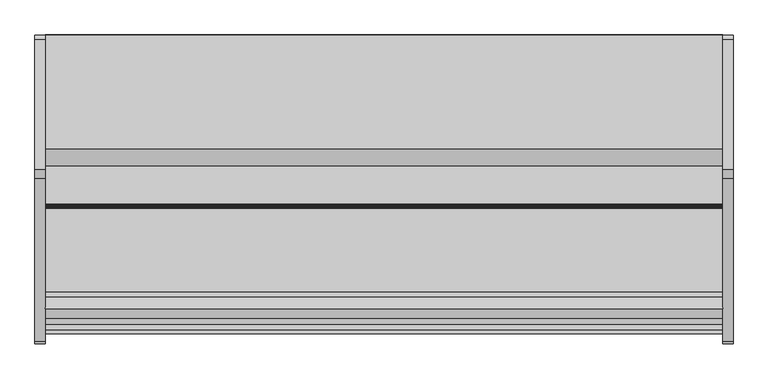
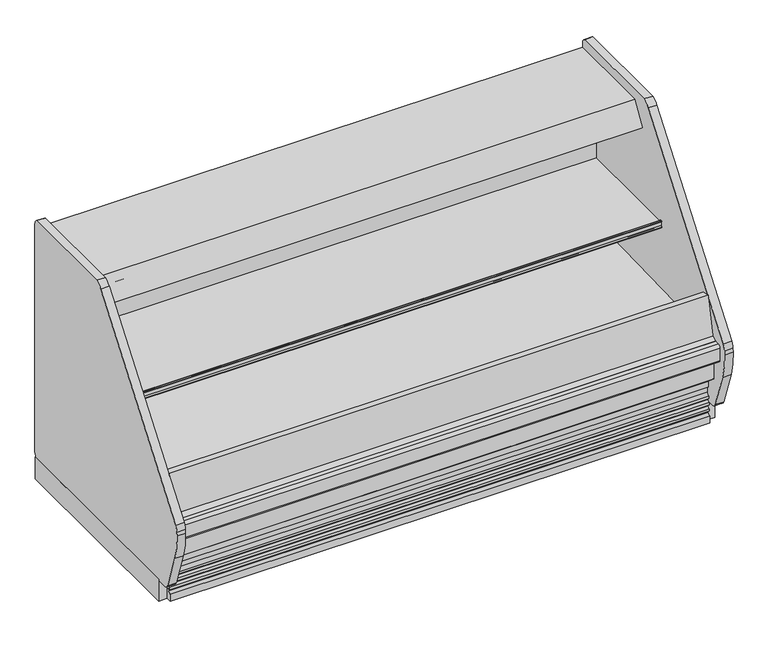
"""IFC4 building model written with IfcOpenShell, lengths in millimetres: proxy geometry."""

from ifc_helpers import new_model, si_unit, point, frame, frame_2d, origin, place, context, project, spatial, polyline, circle_curve, trimmed, segment, composite_curve, outline, extrude, source, transform, mapped, element, save


def mechanical_equipment_370bfc36(model_context):
    return source(origin(), model_context, "Body", "SweptSolid", [
        extrude(outline(polyline([(-38.1, 711.6798615), (-38.1, 1676.4817512), (0.0, 1676.4817512), (0.0, 711.6798615), (-38.1, 711.6798615)])), frame((0.0, 0.0, -11.3168344), z_axis=(0.0, 0.0, 1.0), x_axis=(1.0, 0.0, 0.0)), (0.0, 0.0, 1.0), 104.8514253),
        extrude(outline(composite_curve([segment(trimmed(circle_curve(frame_2d((1654.2567512, 115.824)), 25.4), [point((1679.6567512, 115.824))], [point((1654.2567512, 90.424))], False, "CARTESIAN"), True, "CONTINUOUS"), segment(polyline([(1654.2567512, 90.424), (663.8091512, 90.424)]), True, "CONTINUOUS"), segment(trimmed(circle_curve(frame_2d((663.8091512, 115.824)), 25.4), [point((663.8091512, 90.424))], [point((640.0585823, 106.8200855))], False, "CARTESIAN"), True, "CONTINUOUS"), segment(polyline([(640.0585823, 106.8200855), (583.366812, 271.4649415)]), True, "CONTINUOUS"), segment(trimmed(circle_curve(frame_2d((873.0738926, 371.2190892)), 306.4002), [point((583.366812, 271.4649415))], [point((567.1589099, 388.45585))], False, "CARTESIAN"), True, "CONTINUOUS"), segment(polyline([(567.1589099, 388.45585), (568.1644935, 406.3027696)]), True, "CONTINUOUS"), segment(trimmed(circle_curve(frame_2d((628.296424, 402.9146397)), 60.2273068), [point((568.1644935, 406.3027696))], [point((577.139934, 434.7005174))], False, "CARTESIAN"), True, "CONTINUOUS"), segment(polyline([(577.139934, 434.7005174), (1164.6180638, 1208.5085359)]), True, "CONTINUOUS"), segment(trimmed(circle_curve(frame_2d((1216.0137543, 1169.488723)), 64.5295498), [point((1164.6180638, 1208.5085359))], [point((1196.9254855, 1231.130436))], False, "CARTESIAN"), True, "CONTINUOUS"), segment(polyline([(1196.9254855, 1231.130436), (1664.8043866, 1231.130436)]), True, "CONTINUOUS"), segment(trimmed(circle_curve(frame_2d((1654.2567512, 1208.024)), 25.4), [point((1664.8043866, 1231.130436))], [point((1679.6567512, 1208.024))], False, "CARTESIAN"), True, "CONTINUOUS"), segment(polyline([(1679.6567512, 1208.024), (1679.6567512, 115.824)]), True, "CONTINUOUS")], self_intersect=False)), frame((-38.1, 0.0, 0.0), z_axis=(1.0, 0.0, 0.0), x_axis=(0.0, 1.0, 0.0)), (0.0, 0.0, 1.0), 38.1),
        extrude(outline(polyline([(2438.4, 711.6798615), (2438.4, 1679.6567512), (2476.5, 1679.6567512), (2476.5, 711.6798615), (2438.4, 711.6798615)])), frame((0.0, 0.0, -11.3168344), z_axis=(0.0, 0.0, 1.0), x_axis=(1.0, 0.0, 0.0)), (0.0, 0.0, 1.0), 104.8514253),
        extrude(outline(composite_curve([segment(trimmed(circle_curve(frame_2d((1654.2567512, 115.824)), 25.4), [point((1679.6567512, 115.824))], [point((1654.2567512, 90.424))], False, "CARTESIAN"), True, "CONTINUOUS"), segment(polyline([(1654.2567512, 90.424), (663.8091512, 90.424)]), True, "CONTINUOUS"), segment(trimmed(circle_curve(frame_2d((663.8091512, 115.824)), 25.4), [point((663.8091512, 90.424))], [point((640.0585823, 106.8200855))], False, "CARTESIAN"), True, "CONTINUOUS"), segment(polyline([(640.0585823, 106.8200855), (583.366812, 271.4649415)]), True, "CONTINUOUS"), segment(trimmed(circle_curve(frame_2d((873.0738926, 371.2190892)), 306.4002), [point((583.366812, 271.4649415))], [point((567.1589099, 388.45585))], False, "CARTESIAN"), True, "CONTINUOUS"), segment(polyline([(567.1589099, 388.45585), (568.1644935, 406.3027696)]), True, "CONTINUOUS"), segment(trimmed(circle_curve(frame_2d((628.296424, 402.9146397)), 60.2273068), [point((568.1644935, 406.3027696))], [point((577.139934, 434.7005174))], False, "CARTESIAN"), True, "CONTINUOUS"), segment(polyline([(577.139934, 434.7005174), (1164.6180638, 1208.5085359)]), True, "CONTINUOUS"), segment(trimmed(circle_curve(frame_2d((1216.0137543, 1169.488723)), 64.5295498), [point((1164.6180638, 1208.5085359))], [point((1196.9254855, 1231.130436))], False, "CARTESIAN"), True, "CONTINUOUS"), segment(polyline([(1196.9254855, 1231.130436), (1664.8043866, 1231.130436)]), True, "CONTINUOUS"), segment(trimmed(circle_curve(frame_2d((1654.2567512, 1208.024)), 25.4), [point((1664.8043866, 1231.130436))], [point((1679.6567512, 1208.024))], False, "CARTESIAN"), True, "CONTINUOUS"), segment(polyline([(1679.6567512, 1208.024), (1679.6567512, 115.824)]), True, "CONTINUOUS")], self_intersect=False)), frame((2438.4, 0.0, 0.0), z_axis=(1.0, 0.0, 0.0), x_axis=(0.0, 1.0, 0.0)), (0.0, 0.0, 1.0), 38.1),
        extrude(outline(polyline([(700.6989891, 429.4188157), (703.0591015, 429.4188157), (703.0591015, 354.7248198), (651.5915009, 354.7248198), (651.5915009, 397.6615582), (654.8785028, 409.9288162), (694.4586598, 400.0603747), (700.6989891, 429.4188157)])), frame((0.0, 0.0, 0.0), z_axis=(1.0, 0.0, 0.0), x_axis=(0.0, 1.0, 0.0)), (0.0, 0.0, 1.0), 2438.4),
        extrude(outline(composite_curve([segment(polyline([(870.0317512, 13.1861931), (802.6421421, -10.0179102), (685.8817512, -10.0179102), (685.8817512, 24.1551363)]), True, "CONTINUOUS"), segment(trimmed(circle_curve(frame_2d((685.2131661, 37.1859194)), 13.0479237), [point((685.8817512, 24.1551363))], [point((697.6951339, 33.3847624))], True, "CARTESIAN"), True, "CONTINUOUS"), segment(polyline([(697.6951339, 33.3847624), (701.3949328, 45.5338977), (688.7345978, 45.5338977), (688.7345978, 55.3266015)]), True, "CONTINUOUS"), segment(trimmed(circle_curve(frame_2d((681.8131487, 71.3264274)), 17.4327532), [point((688.7345978, 55.3266015))], [point((697.8129746, 64.4049783))], True, "CARTESIAN"), True, "CONTINUOUS"), segment(polyline([(697.8129746, 64.4049783), (701.0997968, 75.1980102), (688.7345978, 75.1980102), (688.7345978, 86.2266419)]), True, "CONTINUOUS"), segment(trimmed(circle_curve(frame_2d((679.7391667, 104.3064105)), 20.1939548), [point((688.7345978, 86.2266419))], [point((697.8189353, 95.3109794))], True, "CARTESIAN"), True, "CONTINUOUS"), segment(polyline([(697.8189353, 95.3109794), (701.2169039, 105.7688515), (688.7345978, 105.7688515), (688.7345978, 117.156214)]), True, "CONTINUOUS"), segment(trimmed(circle_curve(frame_2d((689.6775874, 129.8463901)), 12.725164), [point((688.7345978, 117.156214))], [point((702.3755024, 129.0140715))], True, "CARTESIAN"), True, "CONTINUOUS"), segment(polyline([(702.3755024, 129.0140715), (702.3755024, 157.4271822), (695.1666308, 157.4271822), (695.1666308, 184.3168811), (803.3567512, 93.5345909), (870.0317512, 93.5345909), (870.0317512, 13.1861931)]), True, "CONTINUOUS")], self_intersect=False)), frame((0.0, 0.0, 0.0), z_axis=(1.0, 0.0, 0.0), x_axis=(0.0, 1.0, 0.0)), (0.0, 0.0, 1.0), 2438.4),
        extrude(outline(polyline([(2438.4, 1644.9330022), (2438.4, 914.8798615), (0.0, 914.8798615), (0.0, 1644.9330022), (2438.4, 1644.9330022)])), frame((0.0, 0.0, 37.3530898), z_axis=(0.0, 0.0, 1.0), x_axis=(1.0, 0.0, 0.0)), (0.0, 0.0, 1.0), 19.8448583),
        extrude(outline(polyline([(1680.0548615, 88.1209301), (1680.0548615, -11.6054102), (1644.9330022, -11.6054102), (1644.9330022, 57.1979482), (914.8798615, 57.1979482), (914.8798615, -11.6054102), (870.0317512, -11.6054102), (870.0317512, 78.1978198), (885.3685223, 93.5345909), (1674.6412007, 93.5345909), (1680.0548615, 88.1209301)])), frame((0.0, 0.0, 0.0), z_axis=(1.0, 0.0, 0.0), x_axis=(0.0, 1.0, 0.0)), (0.0, 0.0, 1.0), 2438.4),
        extrude(outline(polyline([(1594.2644284, 1025.5206156), (1583.9071991, 1044.9997308), (1563.9166424, 1110.3858957), (1537.8698944, 1107.1877571), (1539.0842716, 1097.2974484), (1538.1925249, 1097.2974484), (1536.8775204, 1108.0072999), (1564.4826399, 1111.3967824), (1584.6185071, 1045.5353284), (1595.2605186, 1025.5206156), (1594.2644284, 1025.5206156)])), frame((0.0, 0.0, 0.0), z_axis=(1.0, 0.0, 0.0), x_axis=(0.0, 1.0, 0.0)), (0.0, 0.0, 1.0), 2438.4),
        extrude(outline(composite_curve([segment(trimmed(circle_curve(frame_2d((1066.8477421, 703.6034797)), 1.734506), [point((1065.1132361, 703.6034797))], [point((1068.582248, 703.6034797))], True, "CARTESIAN"), True, "CONTINUOUS"), segment(polyline([(1068.582248, 703.6034797), (1068.582248, 705.0737255), (1070.4287059, 705.0737255), (1068.582248, 700.7946899)]), True, "CONTINUOUS"), segment(trimmed(circle_curve(frame_2d((1067.4067309, 701.3019404)), 1.2802904), [point((1068.582248, 700.7946899))], [point((1067.4039712, 700.0216529))], False, "CARTESIAN"), True, "CONTINUOUS"), segment(polyline([(1067.4039712, 700.0216529), (1058.7511654, 698.4959298), (1056.4923111, 700.7547842), (1056.1496622, 702.6980422), (1056.9234845, 703.4718644), (1058.4083409, 701.987008), (1061.7901577, 709.8241295), (1062.7098676, 727.3732393), (1060.0804447, 730.0026622), (1057.9305027, 727.8527202), (1059.226652, 730.8564548), (1067.1098527, 730.8564548)]), True, "CONTINUOUS"), segment(trimmed(circle_curve(frame_2d((1067.1098527, 729.1064354)), 1.7500194), [point((1067.1098527, 730.8564548))], [point((1068.8597116, 729.0827352))], False, "CARTESIAN"), True, "CONTINUOUS"), segment(polyline([(1068.8597116, 729.0827352), (1070.2712946, 726.6378017), (1069.3976166, 725.7641238), (1067.3090201, 727.8527202)]), True, "CONTINUOUS"), segment(trimmed(circle_curve(frame_2d((1066.2111281, 726.7548282)), 1.5526537), [point((1067.3090201, 727.8527202))], [point((1065.1132361, 727.8527202))], True, "CARTESIAN"), True, "CONTINUOUS"), segment(polyline([(1065.1132361, 727.8527202), (1065.1132361, 703.6034797)]), True, "CONTINUOUS")], self_intersect=False)), frame((0.0, 0.0, 0.0), z_axis=(1.0, 0.0, 0.0), x_axis=(0.0, 1.0, 0.0)), (0.0, 0.0, 1.0), 2438.4),
        extrude(outline(composite_curve([segment(polyline([(1571.7067512, 590.2683077), (1164.9515694, 699.2580302), (1164.9515694, 705.6080302), (1069.7160764, 707.2703719)]), True, "CONTINUOUS"), segment(trimmed(circle_curve(frame_2d((1069.6643954, 704.309571)), 2.9612519), [point((1069.7160764, 707.2703719))], [point((1066.873464, 705.2993765))], True, "CARTESIAN"), True, "CONTINUOUS"), segment(polyline([(1066.873464, 705.2993765), (1066.873464, 703.3197655), (1065.9699458, 703.3197655), (1065.1132361, 727.8527202), (1066.636294, 727.8527202), (1066.636294, 726.4700324)]), True, "CONTINUOUS"), segment(trimmed(circle_curve(frame_2d((1071.2894642, 726.4700324)), 4.6531702), [point((1066.636294, 726.4700324))], [point((1071.7347347, 721.8382156))], True, "CARTESIAN"), True, "CONTINUOUS"), segment(polyline([(1071.7347347, 721.8382156), (1571.7067512, 721.8382156), (1571.7067512, 590.2683077)]), True, "CONTINUOUS")], self_intersect=False)), frame((0.0, 0.0, 0.0), z_axis=(1.0, 0.0, 0.0), x_axis=(0.0, 1.0, 0.0)), (0.0, 0.0, 1.0), 2438.4),
        extrude(outline(composite_curve([segment(polyline([(1571.7067512, 1025.5206156), (1627.7435615, 1025.5206156), (1627.7435615, 333.3706156)]), True, "CONTINUOUS"), segment(trimmed(circle_curve(frame_2d((1469.0306823, 333.3706156)), 158.7128792), [point((1627.7435615, 333.3706156))], [point((1479.9882796, 175.0364465))], False, "CARTESIAN"), True, "CONTINUOUS"), segment(polyline([(1479.9882796, 175.0364465), (867.2878037, 153.6404744)]), True, "CONTINUOUS"), segment(trimmed(circle_curve(frame_2d((861.7450621, 312.3638282)), 158.8201027), [point((867.2878037, 153.6404744))], [point((703.0591015, 305.8376557))], False, "CARTESIAN"), True, "CONTINUOUS"), segment(polyline([(703.0591015, 305.8376557), (703.0591015, 429.4188157), (752.5567512, 429.4188157), (752.5567512, 397.5309651), (1561.6244846, 420.3022108)]), True, "CONTINUOUS"), segment(trimmed(circle_curve(frame_2d((1563.2340553, 428.6206156)), 8.4726959), [point((1561.6244846, 420.3022108))], [point((1571.7067512, 428.6206156))], True, "CARTESIAN"), True, "CONTINUOUS"), segment(polyline([(1571.7067512, 428.6206156), (1571.7067512, 1025.5206156)]), True, "CONTINUOUS")], self_intersect=False)), frame((0.0, 0.0, 0.0), z_axis=(1.0, 0.0, 0.0), x_axis=(0.0, 1.0, 0.0)), (0.0, 0.0, 1.0), 2438.4),
        extrude(outline(polyline([(1538.1632807, 1106.4970423), (1564.1991995, 1108.7748901), (1578.0854554, 1009.9690449), (1552.2399004, 1006.336689), (1538.1632807, 1106.4970423)])), frame((0.0, 0.0, 0.0), z_axis=(1.0, 0.0, 0.0), x_axis=(0.0, 1.0, 0.0)), (0.0, 0.0, 1.0), 2438.4),
        extrude(outline(composite_curve([segment(trimmed(circle_curve(frame_2d((1358.1238906, 1106.7948199)), 16.8446497), [point((1341.279241, 1106.7948199))], [point((1374.9685403, 1106.7948199))], False, "CARTESIAN"), True, "CONTINUOUS"), segment(trimmed(circle_curve(frame_2d((1358.1238906, 1106.7948199)), 16.8446497), [point((1374.9685403, 1106.7948199))], [point((1341.279241, 1106.7948199))], False, "CARTESIAN"), True, "CONTINUOUS")], self_intersect=False)), frame((0.0, 0.0, 0.0), z_axis=(1.0, 0.0, 0.0), x_axis=(0.0, 1.0, 0.0)), (0.0, 0.0, 1.0), 2438.4),
        extrude(outline(composite_curve([segment(trimmed(circle_curve(frame_2d((1320.2582961, 1114.7419199)), 16.5044202), [point((1303.753876, 1114.7419199))], [point((1336.7627163, 1114.7419199))], False, "CARTESIAN"), True, "CONTINUOUS"), segment(trimmed(circle_curve(frame_2d((1320.2582961, 1114.7419199)), 16.5044202), [point((1336.7627163, 1114.7419199))], [point((1303.753876, 1114.7419199))], False, "CARTESIAN"), True, "CONTINUOUS")], self_intersect=False)), frame((0.0, 0.0, 0.0), z_axis=(1.0, 0.0, 0.0), x_axis=(0.0, 1.0, 0.0)), (0.0, 0.0, 1.0), 2438.4),
        extrude(outline(polyline([(1679.6567512, 1131.2227156), (1627.7435615, 1131.2227156), (1627.7435615, 1025.5206156), (1579.7211589, 1025.5206156), (1579.7211589, 1114.0995029), (1548.4749319, 1111.3658123), (1504.996271, 1120.6074869), (1416.096271, 1120.6074869), (1294.505766, 1146.4523466), (1258.0281137, 1085.9550083), (1246.4226285, 1092.9526857), (1234.6608201, 1073.4459998), (1209.4906614, 1085.4836281), (1270.0817512, 1185.9725418), (1679.6567512, 1185.9725418), (1679.6567512, 1131.2227156)])), frame((0.0, 0.0, 0.0), z_axis=(1.0, 0.0, 0.0), x_axis=(0.0, 1.0, 0.0)), (0.0, 0.0, 1.0), 2438.4),
        extrude(outline(composite_curve([segment(polyline([(651.5915009, 354.7248198), (703.0591015, 354.7248198), (703.0591015, 305.8376557)]), True, "CONTINUOUS"), segment(trimmed(circle_curve(frame_2d((858.7051913, 309.1162745)), 155.6806173), [point((703.0591015, 305.8376557))], [point((864.1383665, 153.5304936))], True, "CARTESIAN"), True, "CONTINUOUS"), segment(polyline([(864.1383665, 153.5304936), (1482.8625836, 175.1368194)]), True, "CONTINUOUS"), segment(trimmed(circle_curve(frame_2d((1474.1483918, 328.4845909)), 153.5951697), [point((1482.8625836, 175.1368194))], [point((1627.7435615, 328.4845909))], True, "CARTESIAN"), True, "CONTINUOUS"), segment(polyline([(1627.7435615, 328.4845909), (1627.7435615, 1131.2227156), (1679.6567512, 1131.2227156), (1679.6567512, 93.5345909), (803.3567512, 93.5345909), (651.5915009, 220.8807565), (651.5915009, 354.7248198)]), True, "CONTINUOUS")], self_intersect=False)), frame((0.0, 0.0, 0.0), z_axis=(1.0, 0.0, 0.0), x_axis=(0.0, 1.0, 0.0)), (0.0, 0.0, 1.0), 2438.4),
        extrude(outline(composite_curve([segment(polyline([(616.0317512, 411.9965181), (636.0759477, 411.9965181), (636.0759477, 327.8115582), (616.0317512, 327.8115582)]), True, "CONTINUOUS"), segment(trimmed(circle_curve(frame_2d((616.0317512, 340.5115582)), 12.7), [point((616.0317512, 327.8115582))], [point((603.3317512, 340.5115582))], False, "CARTESIAN"), True, "CONTINUOUS"), segment(polyline([(603.3317512, 340.5115582), (603.3317512, 399.2965181)]), True, "CONTINUOUS"), segment(trimmed(circle_curve(frame_2d((616.0317512, 399.2965181)), 12.7), [point((603.3317512, 399.2965181))], [point((616.0317512, 411.9965181))], False, "CARTESIAN"), True, "CONTINUOUS")], self_intersect=False)), frame((0.0, 0.0, 0.0), z_axis=(1.0, 0.0, 0.0), x_axis=(0.0, 1.0, 0.0)), (0.0, 0.0, 1.0), 2438.4),
        extrude(outline(polyline([(651.5915009, 397.6615582), (651.5915009, 321.4615582), (636.0759477, 321.4615582), (636.0759477, 412.0464767), (657.9070443, 424.1769838), (654.8785028, 409.9288162), (651.5915009, 397.6615582)])), frame((0.0, 0.0, 0.0), z_axis=(1.0, 0.0, 0.0), x_axis=(0.0, 1.0, 0.0)), (0.0, 0.0, 1.0), 2438.4),
        extrude(outline(polyline([(654.8785028, 409.9288162), (694.5625835, 596.6277373), (734.4387268, 588.1518014), (694.4586598, 400.0603747), (688.4106639, 401.5683094), (654.8785028, 409.9288162)])), frame((0.0, 0.0, 0.0), z_axis=(1.0, 0.0, 0.0), x_axis=(0.0, 1.0, 0.0)), (0.0, 0.0, 1.0), 2438.4),
    ])


if __name__ == "__main__":
    model = new_model("IFC4")
    model_context = context("Model", 3, world=origin())
    ifc_project = project(units=[si_unit("LENGTHUNIT", "METRE", prefix="MILLI")], contexts=[model_context])
    site = spatial("IfcSite", under=ifc_project)
    building = spatial("IfcBuilding", under=site)
    placement = place(None, origin())
    mechanical_equipment_shape = mechanical_equipment_370bfc36(model_context)
    element("IfcBuildingElementProxy", 1, Name="Mechanical Equipment", at=placement, inside=building, context=model_context, shape_type="MappedRepresentation", body=[
        mapped(mechanical_equipment_shape, transform((0.0, 0.0, 0.0), x_axis=(1.0, 0.0, 0.0), y_axis=(0.0, 1.0, 0.0), z_axis=(0.0, 0.0, 1.0))),
    ])
    save(model, "model.ifc")
